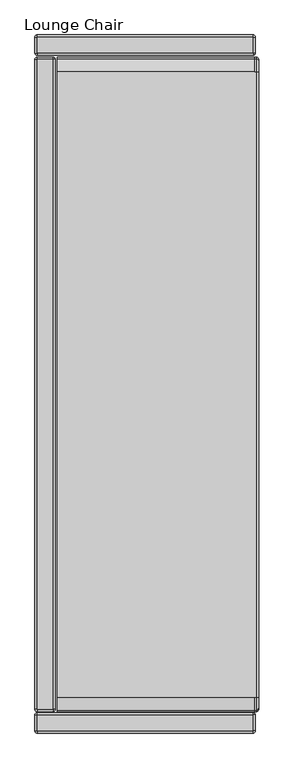
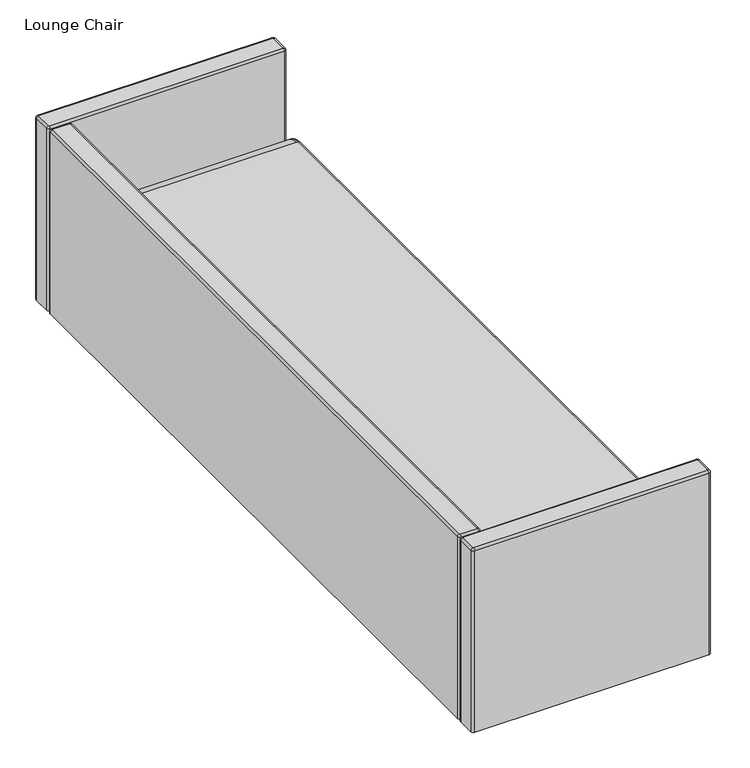
"""IFC4 building model written with IfcOpenShell, lengths in millimetres: furniture geometry, Lounge Chair."""

from ifc_helpers import new_model, si_unit, point, frame, origin, place, context, project, spatial, circle_curve, ellipse_curve, trimmed, source, transform, mapped, element, save
from ifc_brep_helpers import plane_surface, cylinder_surface, revolved_surface, advanced_brep


def lounge_chair_bf048578(model_context):
    return source(origin(), model_context, "Body", "AdvancedBrep", [
        advanced_brep(
        [(389.2550121, 1113.2823208, 380.4601261), (389.2550121, 1110.355245, 388.2040831), (389.2550121, 1072.6197436, 405.2378073), (389.2550121, -1072.6197436, 405.2378073), (389.2550121, -1110.355245, 388.2040831), (389.2550121, -1113.2823208, 380.4601261), (389.2550121, -1113.2823208, 158.4162102), (389.2550121, 1113.2823208, 158.4162102), (380.6423692, 1116.8145532, 393.9010082), (380.6423692, 1121.8949637, 380.4601261), (376.5550121, 1121.8949637, 380.4601261), (376.5550121, 1116.8145532, 393.9010082), (376.5550121, 1072.6197436, 413.8504501), (380.6423692, 1072.6197436, 413.8504501), (-301.6249939, 1072.6197436, 413.8504501), (-301.6249939, -1072.6197436, 413.8504501), (376.5550121, -1072.6197436, 413.8504501), (380.6423692, -1072.6197436, 413.8504501), (376.5550121, -1116.8145532, 393.9010082), (380.6423692, -1116.8145532, 393.9010082), (376.5550121, -1121.8949637, 380.4601261), (380.6423692, -1121.8949637, 380.4601261), (-301.6249939, -1121.8949637, 380.4601261), (-301.6249939, -1121.8949637, 149.8035673), (380.6423692, -1121.8949637, 149.8035673), (-301.6249939, 1121.8949637, 149.8035673), (380.6423692, 1121.8949637, 149.8035673), (-301.6249939, 1121.8949637, 380.4601261), (-301.6249939, 1116.8145532, 393.9010082), (-301.6249939, -1116.8145532, 393.9010082)],
        [
            (0, 1, circle_curve(frame((389.2550121, 1101.5749637, 380.4601261), z_axis=(1.0, 0.0, 0.0), x_axis=(0.0, 1.0, 0.0)), 11.7073571)),
            (1, 2, circle_curve(frame((389.2550121, 1072.6197436, 354.9224501), z_axis=(1.0, 0.0, 0.0), x_axis=(0.0, 0.7499797991863966, 0.6614607326306924)), 50.3153571)),
            (2, 3),
            (3, 4, circle_curve(frame((389.2550121, -1072.6197436, 354.9224501), z_axis=(1.0, 0.0, 0.0), x_axis=(0.0, 0.0, 1.0)), 50.3153571)),
            (4, 5, circle_curve(frame((389.2550121, -1101.5749637, 380.4601261), z_axis=(1.0, 0.0, 0.0), x_axis=(0.0, -0.7499797991905162, 0.6614607326260216)), 11.7073571)),
            (5, 6),
            (6, 7),
            (7, 0),
            (8, 9, circle_curve(frame((380.6423692, 1101.5749637, 380.4601261), z_axis=(-1.0, 0.0, 0.0), x_axis=(0.0, 1.0, 0.0)), 20.32)),
            (9, 10),
            (10, 11, circle_curve(frame((376.5550121, 1101.5749637, 380.4601261), z_axis=(1.0, 0.0, 0.0), x_axis=(0.0, 1.0, 0.0)), 20.32)),
            (11, 8),
            (8, 1, circle_curve(frame((380.6423692, 1110.355245, 388.2040831), z_axis=(0.0, 0.6614607326307009, -0.749979799186389), x_axis=(0.0, -0.749979799186389, -0.6614607326307009)), 8.6126429)),
            (0, 9, circle_curve(frame((380.6423692, 1113.2823208, 380.4601261), z_axis=(0.0, 0.0, 1.0), x_axis=(0.0, -1.0, 0.0)), 8.6126429)),
            (11, 12, circle_curve(frame((376.5550121, 1072.6197436, 354.9224501), z_axis=(1.0, 0.0, 0.0), x_axis=(0.0, 0.7499797991863966, 0.6614607326306924)), 58.928)),
            (12, 13),
            (13, 8, circle_curve(frame((380.6423692, 1072.6197436, 354.9224501), z_axis=(-1.0, 0.0, 0.0), x_axis=(0.0, 0.7499797991863966, 0.6614607326306924)), 58.928)),
            (13, 2, circle_curve(frame((380.6423692, 1072.6197436, 405.2378073), z_axis=(0.0, 1.0, 0.0), x_axis=(0.0, 0.0, -1.0)), 8.6126429)),
            (12, 14),
            (14, 15),
            (15, 16),
            (16, 17),
            (17, 13),
            (17, 3, circle_curve(frame((380.6423692, -1072.6197436, 405.2378073), z_axis=(0.0, 1.0, 0.0), x_axis=(0.0, 0.0, -1.0)), 8.6126429)),
            (16, 18, circle_curve(frame((376.5550121, -1072.6197436, 354.9224501), z_axis=(1.0, 0.0, 0.0), x_axis=(0.0, 0.0, 1.0)), 58.928)),
            (18, 19),
            (19, 17, circle_curve(frame((380.6423692, -1072.6197436, 354.9224501), z_axis=(-1.0, 0.0, 0.0), x_axis=(0.0, 0.0, 1.0)), 58.928)),
            (19, 4, circle_curve(frame((380.6423692, -1110.355245, 388.2040831), z_axis=(0.0, 0.661460732626023, 0.7499797991905148), x_axis=(0.0, 0.7499797991905148, -0.661460732626023)), 8.6126429)),
            (18, 20, circle_curve(frame((376.5550121, -1101.5749637, 380.4601261), z_axis=(1.0, 0.0, 0.0), x_axis=(0.0, -0.7499797991905162, 0.6614607326260216)), 20.32)),
            (20, 21),
            (21, 19, circle_curve(frame((380.6423692, -1101.5749637, 380.4601261), z_axis=(-1.0, 0.0, 0.0), x_axis=(0.0, -0.7499797991905162, 0.6614607326260216)), 20.32)),
            (21, 5, circle_curve(frame((380.6423692, -1113.2823208, 380.4601261), z_axis=(0.0, 0.0, 1.0), x_axis=(0.0, 1.0, 0.0)), 8.6126429)),
            (20, 22),
            (22, 23),
            (23, 24),
            (24, 21),
            (24, 6, ellipse_curve(frame((380.6423692, -1113.2823208, 158.4162102), z_axis=(0.0, -0.7071067811865474, 0.7071067811865476), x_axis=(0.0, 0.7071067811865475, 0.7071067811865475)), 12.1801164, 8.6126429)),
            (23, 25),
            (25, 26),
            (26, 24),
            (26, 7, ellipse_curve(frame((380.6423692, 1113.2823208, 158.4162102), z_axis=(0.0, -0.7071067811865476, -0.7071067811865474), x_axis=(0.0, -0.7071067811865475, 0.7071067811865475)), 12.1801164, 8.6126429)),
            (9, 26),
            (25, 27),
            (27, 10),
            (14, 28, circle_curve(frame((-301.6249939, 1072.6197436, 354.9224501), z_axis=(-1.0, 0.0, 0.0), x_axis=(0.0, 1.0, 0.0)), 58.928)),
            (28, 27, circle_curve(frame((-301.6249939, 1101.5749637, 380.4601261), z_axis=(-1.0, 0.0, 0.0), x_axis=(0.0, 1.0, 0.0)), 20.32)),
            (22, 29, circle_curve(frame((-301.6249939, -1101.5749637, 380.4601261), z_axis=(-1.0, 0.0, 0.0), x_axis=(0.0, 1.0, 0.0)), 20.32)),
            (29, 15, circle_curve(frame((-301.6249939, -1072.6197436, 354.9224501), z_axis=(-1.0, 0.0, 0.0), x_axis=(0.0, 1.0, 0.0)), 58.928)),
            (29, 18),
            (28, 11),
        ],
        [
            plane_surface(frame((389.2550121, -1026.3917436, 354.9224501), z_axis=(1.0, 0.0, 0.0), x_axis=(0.0, 0.0, 1.0))),
            cylinder_surface(frame((376.5550121, 1101.5749637, 380.4601261), z_axis=(1.0, 0.0, 0.0), x_axis=(0.0, 1.0, 0.0)), 20.32),
            revolved_surface(trimmed(ellipse_curve(frame((380.6423692, 1113.2823208, 380.4601261), z_axis=(0.0, 0.0, -1.0), x_axis=(0.0, -1.0, 0.0)), 8.6126429, 8.6126429), [point((380.6423692, 1121.8949637, 380.4601261))], [point((389.2550121, 1113.2823208, 380.4601261))], True, "CARTESIAN"), (376.5550121, 1101.5749637, 380.4601261), (1.0, 0.0, 0.0)),
            cylinder_surface(frame((376.5550121, 1072.6197436, 354.9224501), z_axis=(1.0, 0.0, 0.0), x_axis=(0.0, 0.7499797991863966, 0.6614607326306924)), 58.928),
            revolved_surface(trimmed(ellipse_curve(frame((380.6423692, 1110.355245, 388.2040831), z_axis=(0.0, 0.6614607326306924, -0.7499797991863966), x_axis=(0.0, -0.7499797991863966, -0.6614607326306924)), 8.6126429, 8.6126429), [point((380.6423692, 1116.8145532, 393.9010082))], [point((389.2550121, 1110.355245, 388.2040831))], True, "CARTESIAN"), (376.5550121, 1072.6197436, 354.9224501), (1.0, 0.0, 0.0)),
            plane_surface(frame((376.5550121, 1072.6197436, 413.8504501), z_axis=(0.0, 0.0, 1.0), x_axis=(0.0, -1.0, 0.0))),
            cylinder_surface(frame((380.6423692, 1072.6197436, 405.2378073), z_axis=(0.0, 1.0, 0.0), x_axis=(0.0, 0.0, -1.0)), 8.6126429),
            cylinder_surface(frame((376.5550121, -1072.6197436, 354.9224501), z_axis=(1.0, 0.0, 0.0), x_axis=(0.0, 0.0, 1.0)), 58.928),
            revolved_surface(trimmed(ellipse_curve(frame((380.6423692, -1072.6197436, 405.2378073), z_axis=(0.0, 1.0, 0.0), x_axis=(0.0, 0.0, -1.0)), 8.6126429, 8.6126429), [point((380.6423692, -1072.6197436, 413.8504501))], [point((389.2550121, -1072.6197436, 405.2378073))], True, "CARTESIAN"), (376.5550121, -1072.6197436, 354.9224501), (1.0, 0.0, 0.0)),
            cylinder_surface(frame((376.5550121, -1101.5749637, 380.4601261), z_axis=(1.0, 0.0, 0.0), x_axis=(0.0, -0.7499797991905162, 0.6614607326260216)), 20.32),
            revolved_surface(trimmed(ellipse_curve(frame((380.6423692, -1110.355245, 388.2040831), z_axis=(0.0, 0.6614607326260217, 0.749979799190516), x_axis=(0.0, 0.749979799190516, -0.6614607326260217)), 8.6126429, 8.6126429), [point((380.6423692, -1116.8145532, 393.9010082))], [point((389.2550121, -1110.355245, 388.2040831))], True, "CARTESIAN"), (376.5550121, -1101.5749637, 380.4601261), (1.0, 0.0, 0.0)),
            plane_surface(frame((376.5550121, -1121.8949637, 380.4601261), z_axis=(0.0, -1.0, 0.0), x_axis=(0.0, 0.0, -1.0))),
            cylinder_surface(frame((380.6423692, -1113.2823208, 380.4601261), z_axis=(0.0, 0.0, 1.0), x_axis=(0.0, 1.0, 0.0)), 8.6126429),
            plane_surface(frame((376.5550121, -1121.8949637, 149.8035673), z_axis=(0.0, 0.0, -1.0), x_axis=(0.0, 1.0, 0.0))),
            cylinder_surface(frame((380.6423692, -1109.1949637, 158.4162102), z_axis=(0.0, -1.0, 0.0), x_axis=(0.0, 0.0, 1.0)), 8.6126429),
            plane_surface(frame((376.5550121, 1121.8949637, 149.8035673), z_axis=(0.0, 1.0, 0.0), x_axis=(0.0, 0.0, 1.0))),
            cylinder_surface(frame((380.6423692, 1113.2823208, 162.5035673), z_axis=(0.0, 0.0, -1.0), x_axis=(0.0, -1.0, 0.0)), 8.6126429),
            plane_surface(frame((-301.6249939, -1072.6197436, 413.8504501), z_axis=(-1.0, 0.0, 0.0), x_axis=(0.0, 1.0, 0.0))),
            cylinder_surface(frame((-301.6249939, -1072.6197436, 354.9224501), z_axis=(1.0, 0.0, 0.0), x_axis=(0.0, 1.0, 0.0)), 58.928),
            cylinder_surface(frame((-301.6249939, -1101.5749637, 380.4601261), z_axis=(1.0, 0.0, 0.0), x_axis=(0.0, 1.0, 0.0)), 20.32),
            cylinder_surface(frame((-301.6249939, 1101.5749637, 380.4601261), z_axis=(1.0, 0.0, 0.0), x_axis=(0.0, 1.0, 0.0)), 20.32),
            cylinder_surface(frame((-301.6249939, 1072.6197436, 354.9224501), z_axis=(1.0, 0.0, 0.0), x_axis=(0.0, 1.0, 0.0)), 58.928),
        ],
        [
            (0, [[1, 2, 3, 4, 5, 6, 7, 8]]),
            (1, [[9, 10, 11, 12]]),
            (2, [[-9, 13, -1, 14]]),
            (3, [[-12, 15, 16, 17]]),
            (4, [[-13, -17, 18, -2]]),
            (5, [[-16, 19, 20, 21, 22, 23]]),
            (6, [[-18, -23, 24, -3]]),
            (7, [[-22, 25, 26, 27]]),
            (8, [[-24, -27, 28, -4]]),
            (9, [[-26, 29, 30, 31]]),
            (10, [[-28, -31, 32, -5]]),
            (11, [[-30, 33, 34, 35, 36]]),
            (12, [[-32, -36, 37, -6]]),
            (13, [[-35, 38, 39, 40]]),
            (14, [[-37, -40, 41, -7]]),
            (15, [[-10, 42, -39, 43, 44]]),
            (16, [[-14, -8, -41, -42]]),
            (17, [[45, 46, -43, -38, -34, 47, 48, -20]]),
            (18, [[-48, 49, -25, -21]]),
            (19, [[-47, -33, -29, -49]]),
            (20, [[-46, 50, -11, -44]]),
            (21, [[-45, -19, -15, -50]]),
        ],
    ),
        advanced_brep(
        [(370.2050121, -1189.2049879, 692.15), (370.2050121, -1195.5549879, 685.8), (377.8250121, -1187.9349879, 685.8), (371.4750121, -1187.9349879, 692.15), (377.8250121, -1133.3249637, 685.8), (371.4750121, -1133.3249637, 692.15), (370.2050121, -1125.7049637, 685.8), (370.2050121, -1132.0549637, 692.15), (-370.2050121, -1125.7049637, 685.8), (-370.2050121, -1132.0549637, 692.15), (-377.8250121, -1133.3249637, 685.8), (-371.4750121, -1133.3249637, 692.15), (-377.8250121, -1187.9349879, 685.8), (-371.4750121, -1187.9349879, 692.15), (-370.2050121, -1195.5549879, 685.8), (-370.2050121, -1189.2049879, 692.15), (377.8250121, -1187.9349879, 79.374997), (370.2050121, -1195.5549879, 79.374997), (-370.2050121, -1195.5549879, 79.374997), (-377.8250121, -1187.9349879, 79.374997), (-377.8250121, -1133.3249637, 79.374997), (-370.2050121, -1125.7049637, 79.374997), (370.2050121, -1125.7049637, 79.374997), (377.8250121, -1133.3249637, 79.374997)],
        [
            (0, 1, circle_curve(frame((370.2050121, -1189.2049879, 685.8), z_axis=(1.0, 0.0, 0.0), x_axis=(0.0, 1.0, 0.0)), 6.35)),
            (1, 2, circle_curve(frame((370.2050121, -1187.9349879, 685.8), z_axis=(0.0, 0.0, 1.0), x_axis=(0.0, -1.0, 0.0)), 7.62)),
            (2, 3, circle_curve(frame((371.4750121, -1187.9349879, 685.8), z_axis=(0.0, -1.0, 0.0), x_axis=(-1.0, 0.0, 0.0)), 6.35)),
            (3, 0, circle_curve(frame((370.2050121, -1187.9349879, 692.15), z_axis=(0.0, 0.0, -1.0), x_axis=(0.0, -1.0, 0.0)), 1.27)),
            (2, 4),
            (4, 5, circle_curve(frame((371.4750121, -1133.3249637, 685.8), z_axis=(0.0, -1.0, 0.0), x_axis=(-1.0, 0.0, 0.0)), 6.35)),
            (5, 3),
            (4, 6, circle_curve(frame((370.2050121, -1133.3249637, 685.8), z_axis=(0.0, 0.0, 1.0), x_axis=(1.0, 0.0, 0.0)), 7.62)),
            (6, 7, circle_curve(frame((370.2050121, -1132.0549637, 685.8), z_axis=(1.0, 0.0, 0.0), x_axis=(0.0, -1.0, 0.0)), 6.35)),
            (7, 5, circle_curve(frame((370.2050121, -1133.3249637, 692.15), z_axis=(0.0, 0.0, -1.0), x_axis=(1.0, 0.0, 0.0)), 1.27)),
            (6, 8),
            (8, 9, circle_curve(frame((-370.2050121, -1132.0549637, 685.8), z_axis=(1.0, 0.0, 0.0), x_axis=(0.0, -1.0, 0.0)), 6.35)),
            (9, 7),
            (8, 10, circle_curve(frame((-370.2050121, -1133.3249637, 685.8), z_axis=(0.0, 0.0, 1.0), x_axis=(0.0, 1.0, 0.0)), 7.62)),
            (10, 11, circle_curve(frame((-371.4750121, -1133.3249637, 685.8), z_axis=(0.0, 1.0, 0.0), x_axis=(1.0, 0.0, 0.0)), 6.35)),
            (11, 9, circle_curve(frame((-370.2050121, -1133.3249637, 692.15), z_axis=(0.0, 0.0, -1.0), x_axis=(0.0, 1.0, 0.0)), 1.27)),
            (10, 12),
            (12, 13, circle_curve(frame((-371.4750121, -1187.9349879, 685.8), z_axis=(0.0, 1.0, 0.0), x_axis=(1.0, 0.0, 0.0)), 6.35)),
            (13, 11),
            (12, 14, circle_curve(frame((-370.2050121, -1187.9349879, 685.8), z_axis=(0.0, 0.0, 1.0), x_axis=(-1.0, 0.0, 0.0)), 7.62)),
            (14, 15, circle_curve(frame((-370.2050121, -1189.2049879, 685.8), z_axis=(-1.0, 0.0, 0.0), x_axis=(0.0, 1.0, 0.0)), 6.35)),
            (15, 13, circle_curve(frame((-370.2050121, -1187.9349879, 692.15), z_axis=(0.0, 0.0, -1.0), x_axis=(-1.0, 0.0, 0.0)), 1.27)),
            (0, 15),
            (14, 1),
            (16, 17, circle_curve(frame((370.2050121, -1187.9349879, 79.374997), z_axis=(0.0, 0.0, -1.0), x_axis=(1.0, 0.0, 0.0)), 7.62)),
            (17, 18),
            (18, 19, circle_curve(frame((-370.2050121, -1187.9349879, 79.374997), z_axis=(0.0, 0.0, -1.0), x_axis=(1.0, 0.0, 0.0)), 7.62)),
            (19, 20),
            (20, 21, circle_curve(frame((-370.2050121, -1133.3249637, 79.374997), z_axis=(0.0, 0.0, -1.0), x_axis=(1.0, 0.0, 0.0)), 7.62)),
            (21, 22),
            (22, 23, circle_curve(frame((370.2050121, -1133.3249637, 79.374997), z_axis=(0.0, 0.0, -1.0), x_axis=(1.0, 0.0, 0.0)), 7.62)),
            (23, 16),
            (23, 4),
            (2, 16),
            (21, 8),
            (6, 22),
            (19, 12),
            (10, 20),
            (17, 1),
            (14, 18),
        ],
        [
            revolved_surface(trimmed(ellipse_curve(frame((370.2050121, -1189.2049879, 685.8), z_axis=(-1.0, 0.0, 0.0), x_axis=(0.0, 1.0, 0.0)), 6.35, 6.35), [point((370.2050121, -1195.5549879, 685.8))], [point((370.2050121, -1189.2049879, 692.15))], True, "CARTESIAN"), (370.2050121, -1187.9349879, 685.8), (0.0, 0.0, 1.0)),
            cylinder_surface(frame((371.4750121, -1187.9349879, 685.8), z_axis=(0.0, -1.0, 0.0), x_axis=(-1.0, 0.0, 0.0)), 6.35),
            revolved_surface(trimmed(ellipse_curve(frame((371.4750121, -1133.3249637, 685.8), z_axis=(0.0, -1.0, 0.0), x_axis=(-1.0, 0.0, 0.0)), 6.35, 6.35), [point((377.8250121, -1133.3249637, 685.8))], [point((371.4750121, -1133.3249637, 692.15))], True, "CARTESIAN"), (370.2050121, -1133.3249637, 685.8), (0.0, 0.0, 1.0)),
            cylinder_surface(frame((370.2050121, -1132.0549637, 685.8), z_axis=(1.0, 0.0, 0.0), x_axis=(0.0, -1.0, 0.0)), 6.35),
            revolved_surface(trimmed(ellipse_curve(frame((-370.2050121, -1132.0549637, 685.8), z_axis=(1.0, 0.0, 0.0), x_axis=(0.0, -1.0, 0.0)), 6.35, 6.35), [point((-370.2050121, -1125.7049637, 685.8))], [point((-370.2050121, -1132.0549637, 692.15))], True, "CARTESIAN"), (-370.2050121, -1133.3249637, 685.8), (0.0, 0.0, 1.0)),
            cylinder_surface(frame((-371.4750121, -1133.3249637, 685.8), z_axis=(0.0, 1.0, 0.0), x_axis=(1.0, 0.0, 0.0)), 6.35),
            revolved_surface(trimmed(ellipse_curve(frame((-371.4750121, -1187.9349879, 685.8), z_axis=(0.0, 1.0, 0.0), x_axis=(1.0, 0.0, 0.0)), 6.35, 6.35), [point((-377.8250121, -1187.9349879, 685.8))], [point((-371.4750121, -1187.9349879, 692.15))], True, "CARTESIAN"), (-370.2050121, -1187.9349879, 685.8), (0.0, 0.0, 1.0)),
            cylinder_surface(frame((-370.2050121, -1189.2049879, 685.8), z_axis=(-1.0, 0.0, 0.0), x_axis=(0.0, 1.0, 0.0)), 6.35),
            plane_surface(frame((377.8250121, 1190.4749637, 79.374997), z_axis=(0.0, 0.0, -1.0), x_axis=(0.0, -1.0, 0.0))),
            plane_surface(frame((377.8250121, -1187.9349879, 685.8), z_axis=(1.0, 0.0, 0.0), x_axis=(0.0, 0.0, -1.0))),
            plane_surface(frame((370.2050121, -1125.7049637, 685.8), z_axis=(0.0, 1.0, 0.0), x_axis=(0.0, 0.0, -1.0))),
            plane_surface(frame((-377.8250121, -1133.3249637, 685.8), z_axis=(-1.0, 0.0, 0.0), x_axis=(0.0, 0.0, -1.0))),
            plane_surface(frame((-370.2050121, -1195.5549879, 685.8), z_axis=(0.0, -1.0, 0.0), x_axis=(0.0, 0.0, -1.0))),
            cylinder_surface(frame((370.2050121, -1133.3249637, 0.0), z_axis=(0.0, 0.0, 1.0), x_axis=(1.0, 0.0, 0.0)), 7.62),
            cylinder_surface(frame((-370.2050121, -1133.3249637, 0.0), z_axis=(0.0, 0.0, 1.0), x_axis=(1.0, 0.0, 0.0)), 7.62),
            cylinder_surface(frame((-370.2050121, -1187.9349879, 0.0), z_axis=(0.0, 0.0, 1.0), x_axis=(1.0, 0.0, 0.0)), 7.62),
            cylinder_surface(frame((370.2050121, -1187.9349879, 0.0), z_axis=(0.0, 0.0, 1.0), x_axis=(1.0, 0.0, 0.0)), 7.62),
            plane_surface(frame((-368.9350121, -1187.9349879, 692.15), z_axis=(0.0, 0.0, 1.0), x_axis=(0.0, 1.0, 0.0))),
        ],
        [
            (0, [[1, 2, 3, 4]]),
            (1, [[-3, 5, 6, 7]]),
            (2, [[-6, 8, 9, 10]]),
            (3, [[-9, 11, 12, 13]]),
            (4, [[-12, 14, 15, 16]]),
            (5, [[-15, 17, 18, 19]]),
            (6, [[-18, 20, 21, 22]]),
            (7, [[-1, 23, -21, 24]]),
            (8, [[25, 26, 27, 28, 29, 30, 31, 32]]),
            (9, [[-32, 33, -5, 34]]),
            (10, [[-30, 35, -11, 36]]),
            (11, [[-28, 37, -17, 38]]),
            (12, [[-26, 39, -24, 40]]),
            (13, [[-31, -36, -8, -33]]),
            (14, [[-29, -38, -14, -35]]),
            (15, [[-27, -40, -20, -37]]),
            (16, [[-25, -34, -2, -39]]),
            (17, [[-4, -7, -10, -13, -16, -19, -22, -23]]),
        ],
    ),
        advanced_brep(
        [(377.8250121, 1190.4749637, 79.374997), (377.8250121, 1135.8649394, 79.374997), (370.2050121, 1128.2449394, 79.374997), (-370.2050121, 1128.2449394, 79.374997), (-377.8250121, 1135.8649394, 79.374997), (-377.8250121, 1190.4749637, 79.374997), (-370.2050121, 1198.0949637, 79.374997), (370.2050121, 1198.0949637, 79.374997), (-370.2050121, 1198.0949637, 685.8), (370.2050121, 1198.0949637, 685.8), (-377.8250121, 1135.8649394, 685.8), (-377.8250121, 1190.4749637, 685.8), (370.2050121, 1128.2449394, 685.8), (-370.2050121, 1128.2449394, 685.8), (377.8250121, 1190.4749637, 685.8), (377.8250121, 1135.8649394, 685.8), (371.4750121, 1190.4749637, 692.15), (370.2050121, 1191.7449637, 692.15), (-370.2050121, 1191.7449637, 692.15), (-371.4750121, 1190.4749637, 692.15), (-371.4750121, 1135.8649394, 692.15), (-370.2050121, 1134.5949394, 692.15), (370.2050121, 1134.5949394, 692.15), (371.4750121, 1135.8649394, 692.15)],
        [
            (0, 1),
            (1, 2, circle_curve(frame((370.2050121, 1135.8649394, 79.374997), z_axis=(0.0, 0.0, -1.0), x_axis=(1.0, 0.0, 0.0)), 7.62)),
            (2, 3),
            (3, 4, circle_curve(frame((-370.2050121, 1135.8649394, 79.374997), z_axis=(0.0, 0.0, -1.0), x_axis=(1.0, 0.0, 0.0)), 7.62)),
            (4, 5),
            (5, 6, circle_curve(frame((-370.2050121, 1190.4749637, 79.374997), z_axis=(0.0, 0.0, -1.0), x_axis=(1.0, 0.0, 0.0)), 7.62)),
            (6, 7),
            (7, 0, circle_curve(frame((370.2050121, 1190.4749637, 79.374997), z_axis=(0.0, 0.0, -1.0), x_axis=(1.0, 0.0, 0.0)), 7.62)),
            (6, 8),
            (8, 9),
            (9, 7),
            (4, 10),
            (10, 11),
            (11, 5),
            (2, 12),
            (12, 13),
            (13, 3),
            (0, 14),
            (14, 15),
            (15, 1),
            (9, 14, circle_curve(frame((370.2050121, 1190.4749637, 685.8), z_axis=(0.0, 0.0, -1.0), x_axis=(1.0, 0.0, 0.0)), 7.62)),
            (11, 8, circle_curve(frame((-370.2050121, 1190.4749637, 685.8), z_axis=(0.0, 0.0, -1.0), x_axis=(1.0, 0.0, 0.0)), 7.62)),
            (13, 10, circle_curve(frame((-370.2050121, 1135.8649394, 685.8), z_axis=(0.0, 0.0, -1.0), x_axis=(1.0, 0.0, 0.0)), 7.62)),
            (15, 12, circle_curve(frame((370.2050121, 1135.8649394, 685.8), z_axis=(0.0, 0.0, -1.0), x_axis=(1.0, 0.0, 0.0)), 7.62)),
            (16, 14, circle_curve(frame((371.4750121, 1190.4749637, 685.8), z_axis=(0.0, 1.0, 0.0), x_axis=(-1.0, 0.0, 0.0)), 6.35)),
            (9, 17, circle_curve(frame((370.2050121, 1191.7449637, 685.8), z_axis=(1.0, 0.0, 0.0), x_axis=(0.0, -1.0, 0.0)), 6.35)),
            (17, 16, circle_curve(frame((370.2050121, 1190.4749637, 692.15), z_axis=(0.0, 0.0, -1.0), x_axis=(1.0, 0.0, 0.0)), 1.27)),
            (8, 18, circle_curve(frame((-370.2050121, 1191.7449637, 685.8), z_axis=(1.0, 0.0, 0.0), x_axis=(0.0, -1.0, 0.0)), 6.35)),
            (18, 17),
            (11, 19, circle_curve(frame((-371.4750121, 1190.4749637, 685.8), z_axis=(0.0, 1.0, 0.0), x_axis=(1.0, 0.0, 0.0)), 6.35)),
            (19, 18, circle_curve(frame((-370.2050121, 1190.4749637, 692.15), z_axis=(0.0, 0.0, -1.0), x_axis=(0.0, 1.0, 0.0)), 1.27)),
            (10, 20, circle_curve(frame((-371.4750121, 1135.8649394, 685.8), z_axis=(0.0, 1.0, 0.0), x_axis=(1.0, 0.0, 0.0)), 6.35)),
            (20, 19),
            (13, 21, circle_curve(frame((-370.2050121, 1134.5949394, 685.8), z_axis=(-1.0, 0.0, 0.0), x_axis=(0.0, 1.0, 0.0)), 6.35)),
            (21, 20, circle_curve(frame((-370.2050121, 1135.8649394, 692.15), z_axis=(0.0, 0.0, -1.0), x_axis=(-1.0, 0.0, 0.0)), 1.27)),
            (12, 22, circle_curve(frame((370.2050121, 1134.5949394, 685.8), z_axis=(-1.0, 0.0, 0.0), x_axis=(0.0, 1.0, 0.0)), 6.35)),
            (22, 21),
            (15, 23, circle_curve(frame((371.4750121, 1135.8649394, 685.8), z_axis=(0.0, -1.0, 0.0), x_axis=(-1.0, 0.0, 0.0)), 6.35)),
            (23, 22, circle_curve(frame((370.2050121, 1135.8649394, 692.15), z_axis=(0.0, 0.0, -1.0), x_axis=(0.0, -1.0, 0.0)), 1.27)),
            (16, 23),
        ],
        [
            plane_surface(frame((377.8250121, 1190.4749637, 79.374997), z_axis=(0.0, 0.0, -1.0), x_axis=(0.0, -1.0, 0.0))),
            plane_surface(frame((370.2050121, 1198.0949637, 685.8), z_axis=(0.0, 1.0, 0.0), x_axis=(0.0, 0.0, -1.0))),
            plane_surface(frame((-377.8250121, 1190.4749637, 685.8), z_axis=(-1.0, 0.0, 0.0), x_axis=(0.0, 0.0, -1.0))),
            plane_surface(frame((-370.2050121, 1128.2449394, 685.8), z_axis=(0.0, -1.0, 0.0), x_axis=(0.0, 0.0, -1.0))),
            plane_surface(frame((377.8250121, 1135.8649394, 685.8), z_axis=(1.0, 0.0, 0.0), x_axis=(0.0, 0.0, -1.0))),
            cylinder_surface(frame((370.2050121, 1190.4749637, 79.374997), z_axis=(0.0, 0.0, 1.0), x_axis=(1.0, 0.0, 0.0)), 7.62),
            cylinder_surface(frame((-370.2050121, 1190.4749637, 79.374997), z_axis=(0.0, 0.0, 1.0), x_axis=(1.0, 0.0, 0.0)), 7.62),
            cylinder_surface(frame((-370.2050121, 1135.8649394, 79.374997), z_axis=(0.0, 0.0, 1.0), x_axis=(1.0, 0.0, 0.0)), 7.62),
            cylinder_surface(frame((370.2050121, 1135.8649394, 79.374997), z_axis=(0.0, 0.0, 1.0), x_axis=(1.0, 0.0, 0.0)), 7.62),
            revolved_surface(trimmed(ellipse_curve(frame((371.4750121, 1190.4749637, 685.8), z_axis=(0.0, -1.0, 0.0), x_axis=(-1.0, 0.0, 0.0)), 6.35, 6.35), [point((377.8250121, 1190.4749637, 685.8))], [point((371.4750121, 1190.4749637, 692.15))], True, "CARTESIAN"), (370.2050121, 1190.4749637, 685.8), (0.0, 0.0, 1.0)),
            cylinder_surface(frame((370.2050121, 1191.7449637, 685.8), z_axis=(1.0, 0.0, 0.0), x_axis=(0.0, -1.0, 0.0)), 6.35),
            revolved_surface(trimmed(ellipse_curve(frame((-370.2050121, 1191.7449637, 685.8), z_axis=(1.0, 0.0, 0.0), x_axis=(0.0, -1.0, 0.0)), 6.35, 6.35), [point((-370.2050121, 1198.0949637, 685.8))], [point((-370.2050121, 1191.7449637, 692.15))], True, "CARTESIAN"), (-370.2050121, 1190.4749637, 685.8), (0.0, 0.0, 1.0)),
            cylinder_surface(frame((-371.4750121, 1190.4749637, 685.8), z_axis=(0.0, 1.0, 0.0), x_axis=(1.0, 0.0, 0.0)), 6.35),
            revolved_surface(trimmed(ellipse_curve(frame((-371.4750121, 1135.8649394, 685.8), z_axis=(0.0, 1.0, 0.0), x_axis=(1.0, 0.0, 0.0)), 6.35, 6.35), [point((-377.8250121, 1135.8649394, 685.8))], [point((-371.4750121, 1135.8649394, 692.15))], True, "CARTESIAN"), (-370.2050121, 1135.8649394, 685.8), (0.0, 0.0, 1.0)),
            cylinder_surface(frame((-370.2050121, 1134.5949394, 685.8), z_axis=(-1.0, 0.0, 0.0), x_axis=(0.0, 1.0, 0.0)), 6.35),
            revolved_surface(trimmed(ellipse_curve(frame((370.2050121, 1134.5949394, 685.8), z_axis=(-1.0, 0.0, 0.0), x_axis=(0.0, 1.0, 0.0)), 6.35, 6.35), [point((370.2050121, 1128.2449394, 685.8))], [point((370.2050121, 1134.5949394, 692.15))], True, "CARTESIAN"), (370.2050121, 1135.8649394, 685.8), (0.0, 0.0, 1.0)),
            cylinder_surface(frame((371.4750121, 1135.8649394, 685.8), z_axis=(0.0, -1.0, 0.0), x_axis=(-1.0, 0.0, 0.0)), 6.35),
            plane_surface(frame((371.4750121, 1135.8649394, 692.15), z_axis=(0.0, 0.0, 1.0), x_axis=(0.0, 1.0, 0.0))),
        ],
        [
            (0, [[1, 2, 3, 4, 5, 6, 7, 8]]),
            (1, [[-7, 9, 10, 11]]),
            (2, [[-5, 12, 13, 14]]),
            (3, [[-3, 15, 16, 17]]),
            (4, [[-1, 18, 19, 20]]),
            (5, [[-8, -11, 21, -18]]),
            (6, [[-6, -14, 22, -9]]),
            (7, [[-4, -17, 23, -12]]),
            (8, [[-2, -20, 24, -15]]),
            (9, [[25, -21, 26, 27]]),
            (10, [[-26, -10, 28, 29]]),
            (11, [[-28, -22, 30, 31]]),
            (12, [[-30, -13, 32, 33]]),
            (13, [[-32, -23, 34, 35]]),
            (14, [[-34, -16, 36, 37]]),
            (15, [[-36, -24, 38, 39]]),
            (16, [[-25, 40, -38, -19]]),
            (17, [[-27, -29, -31, -33, -35, -37, -39, -40]]),
        ],
    ),
        advanced_brep(
        [(-370.2050121, -1121.8949637, 79.374997), (-377.8250121, -1114.2749637, 79.374997), (-377.8250121, 1114.2749637, 79.374997), (-370.2050121, 1121.8949637, 79.374997), (-315.5949879, 1121.8949637, 79.374997), (-307.9749879, 1114.2749637, 79.374997), (-307.9749879, -1114.2749637, 79.374997), (-315.5949879, -1121.8949637, 79.374997), (-315.5949879, -1121.8949637, 685.8), (-370.2050121, -1121.8949637, 685.8), (-307.9749879, 1114.2749637, 685.8), (-307.9749879, -1114.2749637, 685.8), (-370.2050121, 1121.8949637, 685.8), (-315.5949879, 1121.8949637, 685.8), (-377.8250121, -1114.2749637, 685.8), (-377.8250121, 1114.2749637, 685.8), (-371.4750121, -1114.2749637, 692.15), (-370.2050121, -1115.5449637, 692.15), (-315.5949879, -1115.5449637, 692.15), (-314.3249879, -1114.2749637, 692.15), (-314.3249879, 1114.2749637, 692.15), (-315.5949879, 1115.5449637, 692.15), (-370.2050121, 1115.5449637, 692.15), (-371.4750121, 1114.2749637, 692.15)],
        [
            (0, 1, circle_curve(frame((-370.2050121, -1114.2749637, 79.374997), z_axis=(0.0, 0.0, -1.0), x_axis=(1.0, 0.0, 0.0)), 7.62)),
            (1, 2),
            (2, 3, circle_curve(frame((-370.2050121, 1114.2749637, 79.374997), z_axis=(0.0, 0.0, -1.0), x_axis=(1.0, 0.0, 0.0)), 7.62)),
            (3, 4),
            (4, 5, circle_curve(frame((-315.5949879, 1114.2749637, 79.374997), z_axis=(0.0, 0.0, -1.0), x_axis=(1.0, 0.0, 0.0)), 7.62)),
            (5, 6),
            (6, 7, circle_curve(frame((-315.5949879, -1114.2749637, 79.374997), z_axis=(0.0, 0.0, -1.0), x_axis=(1.0, 0.0, 0.0)), 7.62)),
            (7, 0),
            (7, 8),
            (8, 9),
            (9, 0),
            (5, 10),
            (10, 11),
            (11, 6),
            (3, 12),
            (12, 13),
            (13, 4),
            (1, 14),
            (14, 15),
            (15, 2),
            (11, 8, circle_curve(frame((-315.5949879, -1114.2749637, 685.8), z_axis=(0.0, 0.0, -1.0), x_axis=(1.0, 0.0, 0.0)), 7.62)),
            (13, 10, circle_curve(frame((-315.5949879, 1114.2749637, 685.8), z_axis=(0.0, 0.0, -1.0), x_axis=(1.0, 0.0, 0.0)), 7.62)),
            (15, 12, circle_curve(frame((-370.2050121, 1114.2749637, 685.8), z_axis=(0.0, 0.0, -1.0), x_axis=(1.0, 0.0, 0.0)), 7.62)),
            (9, 14, circle_curve(frame((-370.2050121, -1114.2749637, 685.8), z_axis=(0.0, 0.0, -1.0), x_axis=(1.0, 0.0, 0.0)), 7.62)),
            (16, 14, circle_curve(frame((-371.4750121, -1114.2749637, 685.8), z_axis=(0.0, -1.0, 0.0), x_axis=(1.0, 0.0, 0.0)), 6.35)),
            (9, 17, circle_curve(frame((-370.2050121, -1115.5449637, 685.8), z_axis=(-1.0, 0.0, 0.0), x_axis=(0.0, 1.0, 0.0)), 6.35)),
            (17, 16, circle_curve(frame((-370.2050121, -1114.2749637, 692.15), z_axis=(0.0, 0.0, -1.0), x_axis=(-1.0, 0.0, 0.0)), 1.27)),
            (8, 18, circle_curve(frame((-315.5949879, -1115.5449637, 685.8), z_axis=(-1.0, 0.0, 0.0), x_axis=(0.0, 1.0, 0.0)), 6.35)),
            (18, 17),
            (11, 19, circle_curve(frame((-314.3249879, -1114.2749637, 685.8), z_axis=(0.0, -1.0, 0.0), x_axis=(-1.0, 0.0, 0.0)), 6.35)),
            (19, 18, circle_curve(frame((-315.5949879, -1114.2749637, 692.15), z_axis=(0.0, 0.0, -1.0), x_axis=(0.0, -1.0, 0.0)), 1.27)),
            (10, 20, circle_curve(frame((-314.3249879, 1114.2749637, 685.8), z_axis=(0.0, -1.0, 0.0), x_axis=(-1.0, 0.0, 0.0)), 6.35)),
            (20, 19),
            (13, 21, circle_curve(frame((-315.5949879, 1115.5449637, 685.8), z_axis=(1.0, 0.0, 0.0), x_axis=(0.0, -1.0, 0.0)), 6.35)),
            (21, 20, circle_curve(frame((-315.5949879, 1114.2749637, 692.15), z_axis=(0.0, 0.0, -1.0), x_axis=(1.0, 0.0, 0.0)), 1.27)),
            (12, 22, circle_curve(frame((-370.2050121, 1115.5449637, 685.8), z_axis=(1.0, 0.0, 0.0), x_axis=(0.0, -1.0, 0.0)), 6.35)),
            (22, 21),
            (15, 23, circle_curve(frame((-371.4750121, 1114.2749637, 685.8), z_axis=(0.0, 1.0, 0.0), x_axis=(1.0, 0.0, 0.0)), 6.35)),
            (23, 22, circle_curve(frame((-370.2050121, 1114.2749637, 692.15), z_axis=(0.0, 0.0, -1.0), x_axis=(0.0, 1.0, 0.0)), 1.27)),
            (16, 23),
        ],
        [
            plane_surface(frame((377.8250121, 1190.4749637, 79.374997), z_axis=(0.0, 0.0, -1.0), x_axis=(0.0, -1.0, 0.0))),
            plane_surface(frame((-370.2050121, -1121.8949637, 685.8), z_axis=(0.0, -1.0, 0.0), x_axis=(0.0, 0.0, -1.0))),
            plane_surface(frame((-307.9749879, -1114.2749637, 685.8), z_axis=(1.0, 0.0, 0.0), x_axis=(0.0, 0.0, -1.0))),
            plane_surface(frame((-315.5949879, 1121.8949637, 685.8), z_axis=(0.0, 1.0, 0.0), x_axis=(0.0, 0.0, -1.0))),
            plane_surface(frame((-377.8250121, 1114.2749637, 685.8), z_axis=(-1.0, 0.0, 0.0), x_axis=(0.0, 0.0, -1.0))),
            cylinder_surface(frame((-315.5949879, -1114.2749637, 0.0), z_axis=(0.0, 0.0, 1.0), x_axis=(1.0, 0.0, 0.0)), 7.62),
            cylinder_surface(frame((-315.5949879, 1114.2749637, 0.0), z_axis=(0.0, 0.0, 1.0), x_axis=(1.0, 0.0, 0.0)), 7.62),
            cylinder_surface(frame((-370.2050121, 1114.2749637, 0.0), z_axis=(0.0, 0.0, 1.0), x_axis=(1.0, 0.0, 0.0)), 7.62),
            cylinder_surface(frame((-370.2050121, -1114.2749637, 0.0), z_axis=(0.0, 0.0, 1.0), x_axis=(1.0, 0.0, 0.0)), 7.62),
            revolved_surface(trimmed(ellipse_curve(frame((-371.4750121, -1114.2749637, 685.8), z_axis=(0.0, 1.0, 0.0), x_axis=(1.0, 0.0, 0.0)), 6.35, 6.35), [point((-377.8250121, -1114.2749637, 685.8))], [point((-371.4750121, -1114.2749637, 692.15))], True, "CARTESIAN"), (-370.2050121, -1114.2749637, 685.8), (0.0, 0.0, 1.0)),
            cylinder_surface(frame((-370.2050121, -1115.5449637, 685.8), z_axis=(-1.0, 0.0, 0.0), x_axis=(0.0, 1.0, 0.0)), 6.35),
            revolved_surface(trimmed(ellipse_curve(frame((-315.5949879, -1115.5449637, 685.8), z_axis=(-1.0, 0.0, 0.0), x_axis=(0.0, 1.0, 0.0)), 6.35, 6.35), [point((-315.5949879, -1121.8949637, 685.8))], [point((-315.5949879, -1115.5449637, 692.15))], True, "CARTESIAN"), (-315.5949879, -1114.2749637, 685.8), (0.0, 0.0, 1.0)),
            cylinder_surface(frame((-314.3249879, -1114.2749637, 685.8), z_axis=(0.0, -1.0, 0.0), x_axis=(-1.0, 0.0, 0.0)), 6.35),
            revolved_surface(trimmed(ellipse_curve(frame((-314.3249879, 1114.2749637, 685.8), z_axis=(0.0, -1.0, 0.0), x_axis=(-1.0, 0.0, 0.0)), 6.35, 6.35), [point((-307.9749879, 1114.2749637, 685.8))], [point((-314.3249879, 1114.2749637, 692.15))], True, "CARTESIAN"), (-315.5949879, 1114.2749637, 685.8), (0.0, 0.0, 1.0)),
            cylinder_surface(frame((-315.5949879, 1115.5449637, 685.8), z_axis=(1.0, 0.0, 0.0), x_axis=(0.0, -1.0, 0.0)), 6.35),
            revolved_surface(trimmed(ellipse_curve(frame((-370.2050121, 1115.5449637, 685.8), z_axis=(1.0, 0.0, 0.0), x_axis=(0.0, -1.0, 0.0)), 6.35, 6.35), [point((-370.2050121, 1121.8949637, 685.8))], [point((-370.2050121, 1115.5449637, 692.15))], True, "CARTESIAN"), (-370.2050121, 1114.2749637, 685.8), (0.0, 0.0, 1.0)),
            cylinder_surface(frame((-371.4750121, 1114.2749637, 685.8), z_axis=(0.0, 1.0, 0.0), x_axis=(1.0, 0.0, 0.0)), 6.35),
            plane_surface(frame((-368.9350121, -1114.2749637, 692.15), z_axis=(0.0, 0.0, 1.0), x_axis=(0.0, 1.0, 0.0))),
        ],
        [
            (0, [[1, 2, 3, 4, 5, 6, 7, 8]]),
            (1, [[-8, 9, 10, 11]]),
            (2, [[-6, 12, 13, 14]]),
            (3, [[-4, 15, 16, 17]]),
            (4, [[-2, 18, 19, 20]]),
            (5, [[-7, -14, 21, -9]]),
            (6, [[-5, -17, 22, -12]]),
            (7, [[-3, -20, 23, -15]]),
            (8, [[-1, -11, 24, -18]]),
            (9, [[25, -24, 26, 27]]),
            (10, [[-26, -10, 28, 29]]),
            (11, [[-28, -21, 30, 31]]),
            (12, [[-30, -13, 32, 33]]),
            (13, [[-32, -22, 34, 35]]),
            (14, [[-34, -16, 36, 37]]),
            (15, [[-36, -23, 38, 39]]),
            (16, [[-25, 40, -38, -19]]),
            (17, [[-27, -29, -31, -33, -35, -37, -39, -40]]),
        ],
    ),
    ])


if __name__ == "__main__":
    model = new_model("IFC4")
    model_context = context("Model", 3, world=origin())
    ifc_project = project(units=[si_unit("LENGTHUNIT", "METRE", prefix="MILLI")], contexts=[model_context])
    site = spatial("IfcSite", under=ifc_project)
    building = spatial("IfcBuilding", under=site)
    placement = place(None, origin())
    lounge_chair_shape = lounge_chair_bf048578(model_context)
    element("IfcFurniture", 1, ObjectType="Lounge Chair", at=placement, inside=building, context=model_context, shape_type="MappedRepresentation", body=[
        mapped(lounge_chair_shape, transform((0.0, 0.0, 0.0), x_axis=(1.0, 0.0, 0.0), y_axis=(0.0, 1.0, 0.0), z_axis=(0.0, 0.0, 1.0))),
    ])
    save(model, "model.ifc")
